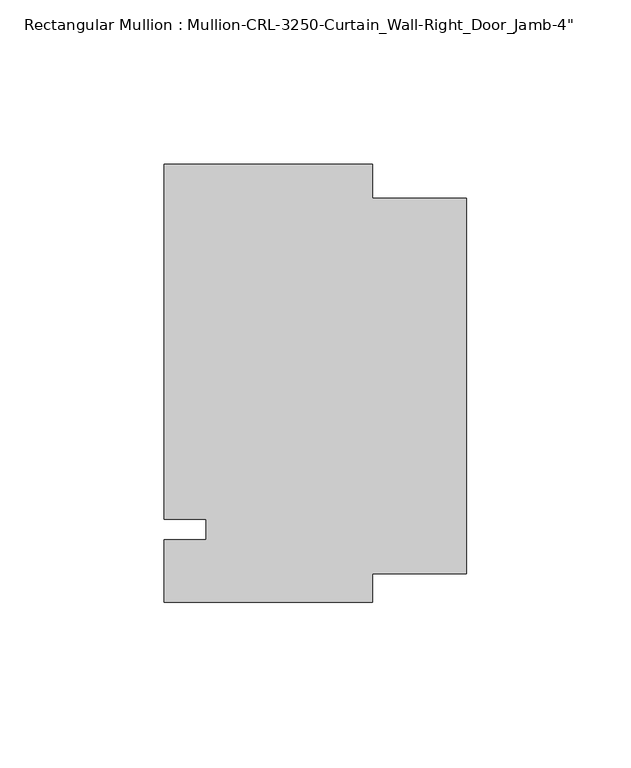
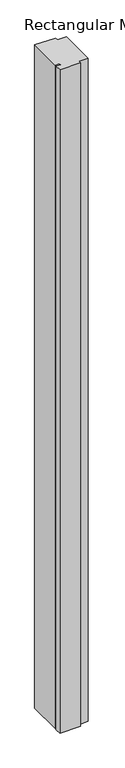
"""IFC4 building model written with IfcOpenShell, lengths in millimetres: member geometry."""

from ifc_helpers import new_model, si_unit, frame, origin, place, context, project, spatial, polyline, outline, extrude, source, transform, mapped, element, save


def member_02c292fd(model_context):
    return source(origin(), model_context, "Body", "SweptSolid", [
        extrude(outline(polyline([(31.7499985, -22.2254168), (-31.7499985, -22.2254168), (-31.7499985, -3.175), (-19.0499985, -3.175), (-19.0499985, 3.175), (-31.7499985, 3.175), (-31.7499985, 111.1245832), (31.7499985, 111.1245832), (31.7499985, 100.8118372), (60.326855, 100.8118372), (60.326855, -13.4880538), (31.7499985, -13.4880538), (31.7499985, -22.2254168)])), frame((0.0, 0.0, -2146.3000015), z_axis=(0.0, 0.0, 1.0), x_axis=(1.0, 0.0, 0.0)), (0.0, 0.0, 1.0), 2146.3000015),
    ])


if __name__ == "__main__":
    model = new_model("IFC4")
    model_context = context("Model", 3, world=origin())
    ifc_project = project(units=[si_unit("LENGTHUNIT", "METRE", prefix="MILLI")], contexts=[model_context])
    site = spatial("IfcSite", under=ifc_project)
    building = spatial("IfcBuilding", under=site)
    placement = place(None, origin())
    member_shape = member_02c292fd(model_context)
    element("IfcMember", 1, ObjectType="Rectangular Mullion : Mullion-CRL-3250-Curtain_Wall-Right_Door_Jamb-4\"", at=placement, inside=building, context=model_context, shape_type="MappedRepresentation", body=[
        mapped(member_shape, transform((0.0, 0.0, 0.0), x_axis=(1.0, 0.0, 0.0), y_axis=(0.0, 1.0, 0.0), z_axis=(0.0, 0.0, 1.0))),
    ])
    save(model, "model.ifc")
